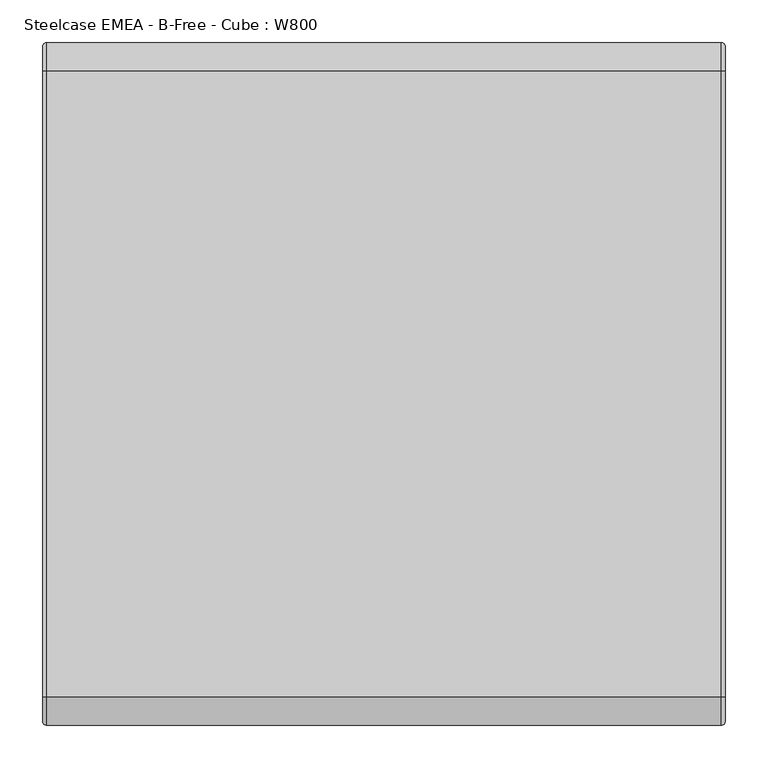
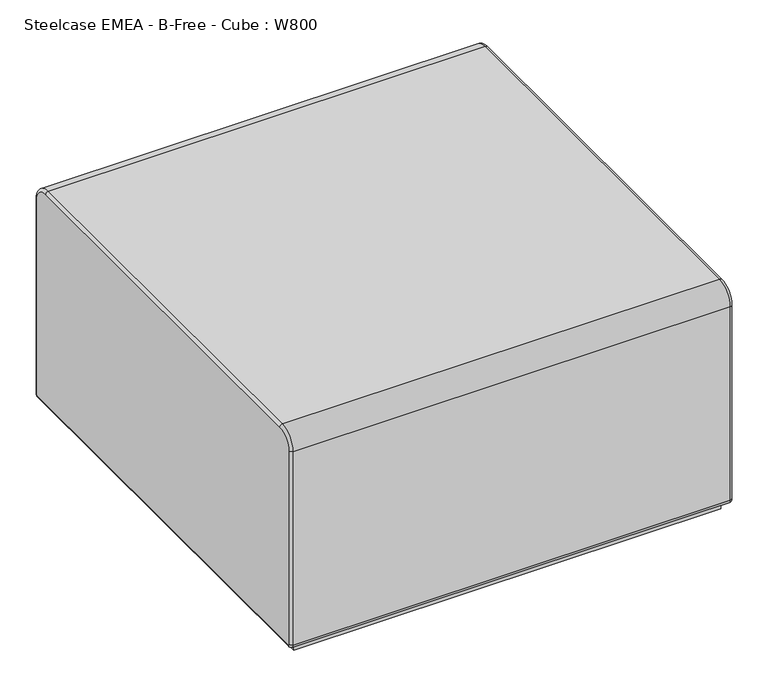
"""IFC4 building model written with IfcOpenShell, lengths in millimetres: furniture geometry, Steelcase EMEA - B-Free - Cube : W800."""

from ifc_helpers import new_model, si_unit, point, frame, frame_2d, origin, origin_with_axes, place, context, project, spatial, polyline, circle_curve, ellipse_curve, trimmed, segment, composite_curve, outline, extrude, source, transform, mapped, element, save
from ifc_brep_helpers import plane_surface, cylinder_surface, revolved_surface, advanced_brep


def steelcase_emea_b_free_cube_w800_edd9b8f8(model_context):
    return source(origin(), model_context, "Body", "SolidModel", [
        extrude(outline(composite_curve([segment(polyline([(-363.0, 360.6584928), (-286.1956388, 360.6018264)]), True, "CONTINUOUS"), segment(trimmed(circle_curve(frame_2d((-286.1978531, 357.6006402)), 3.0011871), [point((-286.1956388, 360.6018264))], [point((-283.1966669, 357.602895))], False, "CARTESIAN"), True, "CONTINUOUS"), segment(polyline([(-283.1966669, 357.602895), (-283.0821235, 306.7380828)]), True, "CONTINUOUS"), segment(trimmed(circle_curve(frame_2d((-308.9583607, 306.6735924)), 25.8763176), [point((-283.0821235, 306.7380828))], [point((-309.1304436, 280.7978471))], False, "CARTESIAN"), True, "CONTINUOUS"), segment(polyline([(-309.1304436, 280.7978471), (-359.9443621, 280.8551592)]), True, "CONTINUOUS"), segment(trimmed(circle_curve(frame_2d((-359.940836, 283.9815396)), 3.1263824), [point((-359.9443621, 280.8551592))], [point((-363.0578536, 283.7397388))], False, "CARTESIAN"), True, "CONTINUOUS"), segment(polyline([(-363.0578536, 283.7397388), (-363.0, 360.6584928)]), True, "CONTINUOUS")], self_intersect=False)), origin_with_axes(), (0.0, 0.0, 1.0), 9.0),
        extrude(outline(composite_curve([segment(polyline([(363.0, 360.6584928), (363.0578536, 283.7397388)]), True, "CONTINUOUS"), segment(trimmed(circle_curve(frame_2d((359.940836, 283.9815396)), 3.1263824), [point((363.0578536, 283.7397388))], [point((359.9443621, 280.8551592))], False, "CARTESIAN"), True, "CONTINUOUS"), segment(polyline([(359.9443621, 280.8551592), (309.1304436, 280.7978471)]), True, "CONTINUOUS"), segment(trimmed(circle_curve(frame_2d((308.9583607, 306.6735924)), 25.8763176), [point((309.1304436, 280.7978471))], [point((283.0821235, 306.7380828))], False, "CARTESIAN"), True, "CONTINUOUS"), segment(polyline([(283.0821235, 306.7380828), (283.1966669, 357.602895)]), True, "CONTINUOUS"), segment(trimmed(circle_curve(frame_2d((286.1978531, 357.6006402)), 3.0011871), [point((283.1966669, 357.602895))], [point((286.1956388, 360.6018264))], False, "CARTESIAN"), True, "CONTINUOUS"), segment(polyline([(286.1956388, 360.6018264), (363.0, 360.6584928)]), True, "CONTINUOUS")], self_intersect=False)), origin_with_axes(), (0.0, 0.0, 1.0), 9.0),
        extrude(outline(composite_curve([segment(polyline([(-363.0, -360.6584928), (-363.0578536, -283.7397388)]), True, "CONTINUOUS"), segment(trimmed(circle_curve(frame_2d((-359.940836, -283.9815396)), 3.1263824), [point((-363.0578536, -283.7397388))], [point((-359.9443621, -280.8551592))], False, "CARTESIAN"), True, "CONTINUOUS"), segment(polyline([(-359.9443621, -280.8551592), (-309.1304436, -280.7978471)]), True, "CONTINUOUS"), segment(trimmed(circle_curve(frame_2d((-308.9583607, -306.6735924)), 25.8763176), [point((-309.1304436, -280.7978471))], [point((-283.0821235, -306.7380828))], False, "CARTESIAN"), True, "CONTINUOUS"), segment(polyline([(-283.0821235, -306.7380828), (-283.1966669, -357.602895)]), True, "CONTINUOUS"), segment(trimmed(circle_curve(frame_2d((-286.1978531, -357.6006402)), 3.0011871), [point((-283.1966669, -357.602895))], [point((-286.1956388, -360.6018264))], False, "CARTESIAN"), True, "CONTINUOUS"), segment(polyline([(-286.1956388, -360.6018264), (-363.0, -360.6584928)]), True, "CONTINUOUS")], self_intersect=False)), origin_with_axes(), (0.0, 0.0, 1.0), 9.0),
        extrude(outline(composite_curve([segment(polyline([(363.0, -360.6584928), (286.1956388, -360.6018264)]), True, "CONTINUOUS"), segment(trimmed(circle_curve(frame_2d((286.1978531, -357.6006402)), 3.0011871), [point((286.1956388, -360.6018264))], [point((283.1966669, -357.602895))], False, "CARTESIAN"), True, "CONTINUOUS"), segment(polyline([(283.1966669, -357.602895), (283.0821235, -306.7380828)]), True, "CONTINUOUS"), segment(trimmed(circle_curve(frame_2d((308.9583607, -306.6735924)), 25.8763176), [point((283.0821235, -306.7380828))], [point((309.1304436, -280.7978471))], False, "CARTESIAN"), True, "CONTINUOUS"), segment(polyline([(309.1304436, -280.7978471), (359.9443621, -280.8551592)]), True, "CONTINUOUS"), segment(trimmed(circle_curve(frame_2d((359.940836, -283.9815396)), 3.1263824), [point((359.9443621, -280.8551592))], [point((363.0578536, -283.7397388))], False, "CARTESIAN"), True, "CONTINUOUS"), segment(polyline([(363.0578536, -283.7397388), (363.0, -360.6584928)]), True, "CONTINUOUS")], self_intersect=False)), origin_with_axes(), (0.0, 0.0, 1.0), 9.0),
        extrude(outline(polyline([(-386.0, -386.0), (-386.0, 386.0), (386.0, 386.0), (386.0, -386.0), (-386.0, -386.0)])), frame((0.0, 0.0, 9.0), z_axis=(0.0, 0.0, 1.0), x_axis=(1.0, 0.0, 0.0)), (0.0, 0.0, 1.0), 14.0),
        advanced_brep(
        [(400.0, 395.0, 400.0), (400.0, 367.0, 428.0), (400.0, -367.0, 428.0), (400.0, -395.0, 400.0), (400.0, -395.0, 30.5000047), (400.0, -392.5, 28.0), (400.0, 392.4999952, 28.0), (400.0, 395.0, 30.5), (-400.0, 367.0, 428.0), (-400.0, 395.0, 400.0), (-400.0, 395.0, 30.5), (-400.0, 392.5, 28.0), (-400.0, -392.5, 28.0), (-400.0, -395.0, 30.5), (-400.0, -395.0, 400.0), (-400.0, -366.9999999, 428.0), (395.0, 400.0, 400.0), (395.0, 367.0, 433.0), (-395.0, 400.0, 400.0), (-395.0, 367.0, 433.0), (395.0, 400.0, 30.5), (-395.0, 400.0, 30.5), (395.0, 392.5, 23.0), (-395.0, 392.5, 23.0), (395.0, -392.5, 23.0), (-395.0, -392.5, 23.0), (395.0, -400.0, 30.5), (-395.0, -400.0, 30.5), (395.0, -400.0, 400.0), (-395.0, -400.0, 400.0), (395.0, -367.0, 433.0), (-395.0, -367.0, 433.0)],
        [
            (0, 1, circle_curve(frame((400.0, 367.0, 400.0), z_axis=(1.0, 0.0, 0.0), x_axis=(0.0, 0.0, 1.0)), 28.0)),
            (1, 2),
            (2, 3, circle_curve(frame((400.0, -367.0, 400.0), z_axis=(1.0, 0.0, 0.0), x_axis=(0.0, -1.0, 0.0)), 28.0)),
            (3, 4),
            (4, 5, circle_curve(frame((400.0, -392.5, 30.5), z_axis=(1.0, 0.0, 0.0), x_axis=(0.0, 0.0, -1.0)), 2.5)),
            (5, 6),
            (6, 7, circle_curve(frame((400.0, 392.5, 30.5), z_axis=(1.0, 0.0, 0.0), x_axis=(0.0, 1.0, 0.0)), 2.5)),
            (7, 0),
            (8, 9, circle_curve(frame((-400.0, 367.0, 400.0), z_axis=(-1.0, 0.0, 0.0), x_axis=(0.0, 0.0, 1.0)), 28.0)),
            (9, 10),
            (10, 11, circle_curve(frame((-400.0, 392.5, 30.5), z_axis=(-1.0, 0.0, 0.0), x_axis=(0.0, 1.0, 0.0)), 2.5)),
            (11, 12),
            (12, 13, circle_curve(frame((-400.0, -392.5, 30.5), z_axis=(-1.0, 0.0, 0.0), x_axis=(0.0, 0.0, -1.0)), 2.5)),
            (13, 14),
            (14, 15, circle_curve(frame((-400.0, -367.0, 400.0), z_axis=(-1.0, 0.0, 0.0), x_axis=(0.0, -1.0, 0.0)), 28.0)),
            (15, 8),
            (16, 17, circle_curve(frame((395.0, 367.0, 400.0), z_axis=(1.0, 0.0, 0.0), x_axis=(0.0, 0.0, 1.0)), 33.0)),
            (17, 1, circle_curve(frame((395.0, 367.0, 428.0), z_axis=(0.0, 1.0, 0.0), x_axis=(1.0, 0.0, 0.0)), 5.0)),
            (0, 16, circle_curve(frame((395.0, 395.0, 400.0), z_axis=(0.0, 0.0, 1.0), x_axis=(1.0, 0.0, 0.0)), 5.0)),
            (16, 18),
            (18, 19, circle_curve(frame((-395.0, 367.0, 400.0), z_axis=(1.0, 0.0, 0.0), x_axis=(0.0, 0.0, 1.0)), 33.0)),
            (19, 17),
            (18, 9, circle_curve(frame((-395.0, 395.0, 400.0), z_axis=(0.0, 0.0, 1.0), x_axis=(1.0, 0.0, 0.0)), 5.0)),
            (8, 19, circle_curve(frame((-395.0, 367.0, 428.0), z_axis=(0.0, 1.0, 0.0), x_axis=(1.0, 0.0, 0.0)), 5.0)),
            (7, 20, circle_curve(frame((395.0, 395.0, 30.5), z_axis=(0.0, 0.0, 1.0), x_axis=(1.0, 0.0, 0.0)), 5.0)),
            (20, 16),
            (20, 21),
            (21, 18),
            (21, 10, circle_curve(frame((-395.0, 395.0, 30.5), z_axis=(0.0, 0.0, 1.0), x_axis=(1.0, 0.0, 0.0)), 5.0)),
            (6, 22, circle_curve(frame((395.0, 392.5, 28.0), z_axis=(0.0, 1.0, 0.0), x_axis=(1.0, 0.0, 0.0)), 5.0)),
            (22, 20, circle_curve(frame((395.0, 392.5, 30.5), z_axis=(1.0, 0.0, 0.0), x_axis=(0.0, 1.0, 0.0)), 7.5)),
            (22, 23),
            (23, 21, circle_curve(frame((-395.0, 392.5, 30.5), z_axis=(1.0, 0.0, 0.0), x_axis=(0.0, 1.0, 0.0)), 7.5)),
            (23, 11, circle_curve(frame((-395.0, 392.5, 28.0), z_axis=(0.0, 1.0, 0.0), x_axis=(1.0, 0.0, 0.0)), 5.0)),
            (5, 24, circle_curve(frame((395.0, -392.5, 28.0), z_axis=(0.0, 1.0, 0.0), x_axis=(1.0, 0.0, 0.0)), 5.0)),
            (24, 22),
            (24, 25),
            (25, 23),
            (25, 12, circle_curve(frame((-395.0, -392.5, 28.0), z_axis=(0.0, 1.0, 0.0), x_axis=(1.0, 0.0, 0.0)), 5.0)),
            (4, 26, circle_curve(frame((395.0, -395.0, 30.5), z_axis=(0.0, 0.0, -1.0), x_axis=(1.0, 0.0, 0.0)), 5.0)),
            (26, 24, circle_curve(frame((395.0, -392.5, 30.5), z_axis=(1.0, 0.0, 0.0), x_axis=(0.0, 0.0, -1.0)), 7.5)),
            (26, 27),
            (27, 25, circle_curve(frame((-395.0, -392.5, 30.5), z_axis=(1.0, 0.0, 0.0), x_axis=(0.0, 0.0, -1.0)), 7.5)),
            (27, 13, circle_curve(frame((-395.0, -395.0, 30.5), z_axis=(0.0, 0.0, -1.0), x_axis=(1.0, 0.0, 0.0)), 5.0)),
            (3, 28, circle_curve(frame((395.0, -395.0, 400.0), z_axis=(0.0, 0.0, -1.0), x_axis=(1.0, 0.0, 0.0)), 5.0)),
            (28, 26),
            (28, 29),
            (29, 27),
            (29, 14, circle_curve(frame((-395.0, -395.0, 400.0), z_axis=(0.0, 0.0, -1.0), x_axis=(1.0, 0.0, 0.0)), 5.0)),
            (2, 30, circle_curve(frame((395.0, -367.0, 428.0), z_axis=(0.0, -1.0, 0.0), x_axis=(1.0, 0.0, 0.0)), 5.0)),
            (30, 28, circle_curve(frame((395.0, -367.0, 400.0), z_axis=(1.0, 0.0, 0.0), x_axis=(0.0, -1.0, 0.0)), 33.0)),
            (30, 31),
            (31, 29, circle_curve(frame((-395.0, -367.0, 400.0), z_axis=(1.0, 0.0, 0.0), x_axis=(0.0, -1.0, 0.0)), 33.0)),
            (31, 15, circle_curve(frame((-395.0, -367.0, 428.0), z_axis=(0.0, -1.0, 0.0), x_axis=(1.0, 0.0, 0.0)), 5.0)),
            (17, 30),
            (19, 31),
        ],
        [
            plane_surface(frame((400.0, -367.0, 428.0), z_axis=(1.0, 0.0, 0.0), x_axis=(0.0, -1.0, 0.0))),
            plane_surface(frame((-400.0, -367.0, 428.0), z_axis=(-1.0, 0.0, 0.0), x_axis=(0.0, 1.0, 0.0))),
            revolved_surface(trimmed(ellipse_curve(frame((395.0, 367.0, 428.0), z_axis=(0.0, -1.0, 0.0), x_axis=(1.0, 0.0, 0.0)), 5.0, 5.0), [point((400.0, 367.0, 428.0))], [point((395.0, 367.0, 433.0))], True, "CARTESIAN"), (0.0, 367.0, 400.0), (-1.0, 0.0, 0.0)),
            cylinder_surface(frame((0.0, 367.0, 400.0), z_axis=(-1.0, 0.0, 0.0), x_axis=(0.0, 0.0, 1.0)), 33.0),
            revolved_surface(trimmed(ellipse_curve(frame((-395.0, 367.0, 428.0), z_axis=(0.0, -1.0, 0.0), x_axis=(1.0, 0.0, 0.0)), 5.0, 5.0), [point((-395.0, 367.0, 433.0))], [point((-400.0, 367.0, 428.0))], True, "CARTESIAN"), (0.0, 367.0, 400.0), (-1.0, 0.0, 0.0)),
            cylinder_surface(frame((395.0, 395.0, 400.0), z_axis=(0.0, 0.0, 1.0), x_axis=(1.0, 0.0, 0.0)), 5.0),
            plane_surface(frame((395.0, 400.0, 400.0), z_axis=(0.0, 1.0, 0.0), x_axis=(0.0, 0.0, -1.0))),
            cylinder_surface(frame((-395.0, 395.0, 400.0), z_axis=(0.0, 0.0, 1.0), x_axis=(1.0, 0.0, 0.0)), 5.0),
            revolved_surface(trimmed(ellipse_curve(frame((395.0, 395.0, 30.5), z_axis=(0.0, 0.0, 1.0), x_axis=(1.0, 0.0, 0.0)), 5.0, 5.0), [point((400.0, 395.0, 30.5))], [point((395.0, 400.0, 30.5))], True, "CARTESIAN"), (0.0, 392.5, 30.5), (-1.0, 0.0, 0.0)),
            cylinder_surface(frame((0.0, 392.5, 30.5), z_axis=(-1.0, 0.0, 0.0), x_axis=(0.0, 1.0, 0.0)), 7.5),
            revolved_surface(trimmed(ellipse_curve(frame((-395.0, 395.0, 30.5), z_axis=(0.0, 0.0, 1.0), x_axis=(1.0, 0.0, 0.0)), 5.0, 5.0), [point((-395.0, 400.0, 30.5))], [point((-400.0, 395.0, 30.5))], True, "CARTESIAN"), (0.0, 392.5, 30.5), (-1.0, 0.0, 0.0)),
            cylinder_surface(frame((395.0, 392.5, 28.0), z_axis=(0.0, 1.0, 0.0), x_axis=(1.0, 0.0, 0.0)), 5.0),
            plane_surface(frame((395.0, 392.5, 23.0), z_axis=(0.0, 0.0, -1.0), x_axis=(0.0, -1.0, 0.0))),
            cylinder_surface(frame((-395.0, 392.5, 28.0), z_axis=(0.0, 1.0, 0.0), x_axis=(1.0, 0.0, 0.0)), 5.0),
            revolved_surface(trimmed(ellipse_curve(frame((395.0, -392.5, 28.0), z_axis=(0.0, 1.0, 0.0), x_axis=(1.0, 0.0, 0.0)), 5.0, 5.0), [point((400.0, -392.5, 28.0))], [point((395.0, -392.5, 23.0))], True, "CARTESIAN"), (0.0, -392.5, 30.5), (-1.0, 0.0, 0.0)),
            cylinder_surface(frame((0.0, -392.5, 30.5), z_axis=(-1.0, 0.0, 0.0), x_axis=(0.0, 0.0, -1.0)), 7.5),
            revolved_surface(trimmed(ellipse_curve(frame((-395.0, -392.5, 28.0), z_axis=(0.0, 1.0, 0.0), x_axis=(1.0, 0.0, 0.0)), 5.0, 5.0), [point((-395.0, -392.5, 23.0))], [point((-400.0, -392.5, 28.0))], True, "CARTESIAN"), (0.0, -392.5, 30.5), (-1.0, 0.0, 0.0)),
            cylinder_surface(frame((395.0, -395.0, 30.5), z_axis=(0.0, 0.0, -1.0), x_axis=(1.0, 0.0, 0.0)), 5.0),
            plane_surface(frame((395.0, -400.0, 30.5), z_axis=(0.0, -1.0, 0.0), x_axis=(0.0, 0.0, 1.0))),
            cylinder_surface(frame((-395.0, -395.0, 30.5), z_axis=(0.0, 0.0, -1.0), x_axis=(1.0, 0.0, 0.0)), 5.0),
            revolved_surface(trimmed(ellipse_curve(frame((395.0, -395.0, 400.0), z_axis=(0.0, 0.0, -1.0), x_axis=(1.0, 0.0, 0.0)), 5.0, 5.0), [point((400.0, -395.0, 400.0))], [point((395.0, -400.0, 400.0))], True, "CARTESIAN"), (0.0, -367.0, 400.0), (-1.0, 0.0, 0.0)),
            cylinder_surface(frame((0.0, -367.0, 400.0), z_axis=(-1.0, 0.0, 0.0), x_axis=(0.0, -1.0, 0.0)), 33.0),
            revolved_surface(trimmed(ellipse_curve(frame((-395.0, -395.0, 400.0), z_axis=(0.0, 0.0, -1.0), x_axis=(1.0, 0.0, 0.0)), 5.0, 5.0), [point((-395.0, -400.0, 400.0))], [point((-400.0, -395.0, 400.0))], True, "CARTESIAN"), (0.0, -367.0, 400.0), (-1.0, 0.0, 0.0)),
            cylinder_surface(frame((395.0, -367.0, 428.0), z_axis=(0.0, -1.0, 0.0), x_axis=(1.0, 0.0, 0.0)), 5.0),
            plane_surface(frame((395.0, -367.0, 433.0), z_axis=(0.0, 0.0, 1.0), x_axis=(0.0, 1.0, 0.0))),
            cylinder_surface(frame((-395.0, -367.0, 428.0), z_axis=(0.0, -1.0, 0.0), x_axis=(1.0, 0.0, 0.0)), 5.0),
        ],
        [
            (0, [[1, 2, 3, 4, 5, 6, 7, 8]]),
            (1, [[9, 10, 11, 12, 13, 14, 15, 16]]),
            (2, [[17, 18, -1, 19]]),
            (3, [[-17, 20, 21, 22]]),
            (4, [[-21, 23, -9, 24]]),
            (5, [[-19, -8, 25, 26]]),
            (6, [[-20, -26, 27, 28]]),
            (7, [[-23, -28, 29, -10]]),
            (8, [[-25, -7, 30, 31]]),
            (9, [[-27, -31, 32, 33]]),
            (10, [[-29, -33, 34, -11]]),
            (11, [[-30, -6, 35, 36]]),
            (12, [[-32, -36, 37, 38]]),
            (13, [[-34, -38, 39, -12]]),
            (14, [[-35, -5, 40, 41]]),
            (15, [[-37, -41, 42, 43]]),
            (16, [[-39, -43, 44, -13]]),
            (17, [[-40, -4, 45, 46]]),
            (18, [[-42, -46, 47, 48]]),
            (19, [[-44, -48, 49, -14]]),
            (20, [[-45, -3, 50, 51]]),
            (21, [[-47, -51, 52, 53]]),
            (22, [[-49, -53, 54, -15]]),
            (23, [[-18, 55, -50, -2]]),
            (24, [[-22, 56, -52, -55]]),
            (25, [[-24, -16, -54, -56]]),
        ],
    ),
    ])


if __name__ == "__main__":
    model = new_model("IFC4")
    model_context = context("Model", 3, world=origin())
    ifc_project = project(units=[si_unit("LENGTHUNIT", "METRE", prefix="MILLI")], contexts=[model_context])
    site = spatial("IfcSite", under=ifc_project)
    building = spatial("IfcBuilding", under=site)
    placement = place(None, origin())
    steelcase_emea_b_free_cube_w800_shape = steelcase_emea_b_free_cube_w800_edd9b8f8(model_context)
    element("IfcFurniture", 1, ObjectType="Steelcase EMEA - B-Free - Cube : W800", at=placement, inside=building, context=model_context, shape_type="MappedRepresentation", body=[
        mapped(steelcase_emea_b_free_cube_w800_shape, transform((0.0, 0.0, 0.0), x_axis=(1.0, 0.0, 0.0), y_axis=(0.0, 1.0, 0.0), z_axis=(0.0, 0.0, 1.0))),
    ])
    save(model, "model.ifc")
